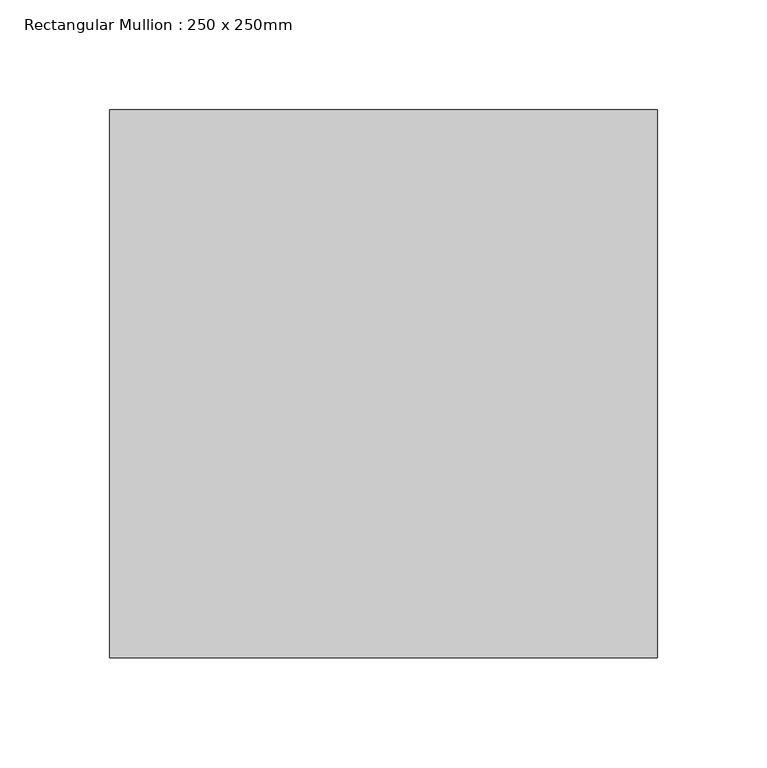
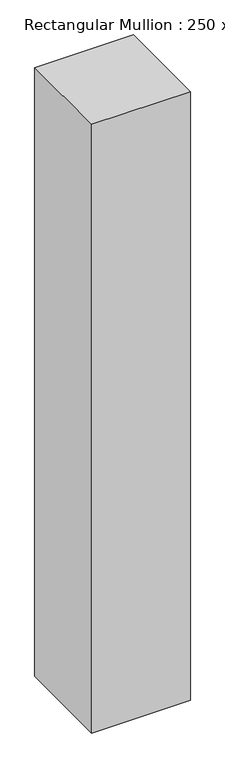
"""IFC4 building model written with IfcOpenShell, lengths in millimetres: member geometry, Rectangular Mullion : 250 x 250mm."""

from ifc_helpers import new_model, si_unit, frame, origin, place, context, project, spatial, polyline, outline, extrude, source, transform, mapped, element, save


def rectangular_mullion_250_x_250mm_2845ccb7(model_context):
    return source(origin(), model_context, "Body", "SweptSolid", [
        extrude(outline(polyline([(0.0, 125.0), (0.0, -125.0), (-250.0, -125.0), (-250.0, 125.0), (0.0, 125.0)])), frame((0.0, 0.0, -1630.9091699), z_axis=(0.0, 0.0, 1.0), x_axis=(1.0, 0.0, 0.0)), (0.0, 0.0, 1.0), 1630.9091699),
    ])


if __name__ == "__main__":
    model = new_model("IFC4")
    model_context = context("Model", 3, world=origin())
    ifc_project = project(units=[si_unit("LENGTHUNIT", "METRE", prefix="MILLI")], contexts=[model_context])
    site = spatial("IfcSite", under=ifc_project)
    building = spatial("IfcBuilding", under=site)
    placement = place(None, origin())
    rectangular_mullion_250_x_250mm_shape = rectangular_mullion_250_x_250mm_2845ccb7(model_context)
    element("IfcMember", 1, ObjectType="Rectangular Mullion : 250 x 250mm", at=placement, inside=building, context=model_context, shape_type="MappedRepresentation", body=[
        mapped(rectangular_mullion_250_x_250mm_shape, transform((0.0, 0.0, 0.0), x_axis=(1.0, 0.0, 0.0), y_axis=(0.0, 1.0, 0.0), z_axis=(0.0, 0.0, 1.0))),
    ])
    save(model, "model.ifc")
